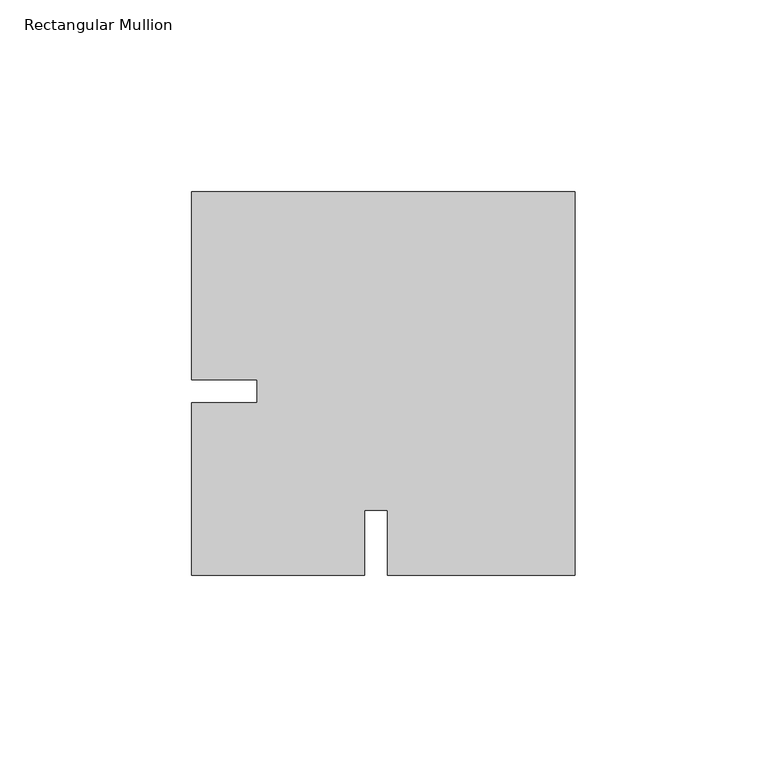
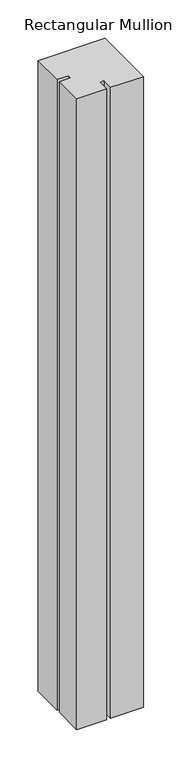
"""IFC4 building model written with IfcOpenShell, lengths in millimetres: member geometry, Rectangular Mullion."""

from ifc_helpers import new_model, si_unit, frame, origin, place, context, project, spatial, polyline, outline, extrude, source, transform, mapped, element, save


def rectangular_mullion_981b4829(model_context):
    return source(origin(), model_context, "Body", "SweptSolid", [
        extrude(outline(polyline([(-54.9919802, -48.0224054), (-100.0, -48.0224054), (-100.0, -3.0224029), (-83.002876, -3.0224029), (-83.002876, 2.9776133), (-100.0, 2.9776133), (-100.0, 51.9775946), (0.0, 51.9775946), (0.0, -48.0224054), (-48.9999814, -48.0224054), (-48.9999814, -31.0224007), (-54.9919802, -31.0224007), (-54.9919802, -48.0224054)])), frame((0.0, 0.0, -1000.9288599), z_axis=(0.0, 0.0, 1.0), x_axis=(1.0, 0.0, 0.0)), (0.0, 0.0, 1.0), 1000.9288599),
    ])


if __name__ == "__main__":
    model = new_model("IFC4")
    model_context = context("Model", 3, world=origin())
    ifc_project = project(units=[si_unit("LENGTHUNIT", "METRE", prefix="MILLI")], contexts=[model_context])
    site = spatial("IfcSite", under=ifc_project)
    building = spatial("IfcBuilding", under=site)
    placement = place(None, origin())
    rectangular_mullion_shape = rectangular_mullion_981b4829(model_context)
    element("IfcMember", 1, ObjectType="Rectangular Mullion", at=placement, inside=building, context=model_context, shape_type="MappedRepresentation", body=[
        mapped(rectangular_mullion_shape, transform((0.0, 0.0, 0.0), x_axis=(1.0, 0.0, 0.0), y_axis=(0.0, 1.0, 0.0), z_axis=(0.0, 0.0, 1.0))),
    ])
    save(model, "model.ifc")
